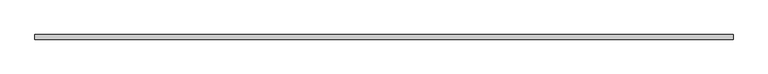
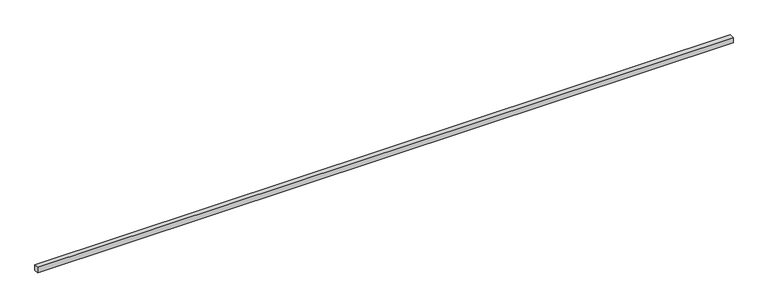
"""IFC4 building model written with IfcOpenShell, lengths in millimetres: proxy geometry."""

from ifc_helpers import new_model, si_unit, frame, origin, place, context, project, spatial, polyline, outline, extrude, source, transform, mapped, element, save


def generic_models_037b882c(model_context):
    return source(origin(), model_context, "Body", "SweptSolid", [
        extrude(outline(polyline([(40.0, 0.0), (-40.0, 0.0), (-40.0, 12080.0), (40.0, 12080.0), (40.0, 0.0)])), frame((12080.0, 0.0, 0.0), z_axis=(0.0, -1.9783474858313244e-12, 1.0), x_axis=(0.0, 1.0, 1.9783474858313244e-12)), (0.0, 0.0, 1.0), 100.0),
    ])


if __name__ == "__main__":
    model = new_model("IFC4")
    model_context = context("Model", 3, world=origin())
    ifc_project = project(units=[si_unit("LENGTHUNIT", "METRE", prefix="MILLI")], contexts=[model_context])
    site = spatial("IfcSite", under=ifc_project)
    building = spatial("IfcBuilding", under=site)
    placement = place(None, origin())
    generic_models_shape = generic_models_037b882c(model_context)
    element("IfcBuildingElementProxy", 1, Name="Generic Models", at=placement, inside=building, context=model_context, shape_type="MappedRepresentation", body=[
        mapped(generic_models_shape, transform((0.0, 0.0, 0.0), x_axis=(1.0, 0.0, 0.0), y_axis=(0.0, 1.0, 0.0), z_axis=(0.0, 0.0, 1.0))),
    ])
    save(model, "model.ifc")
